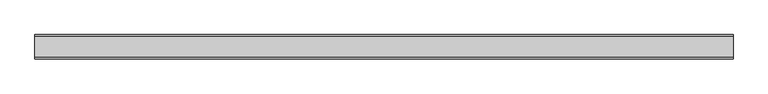
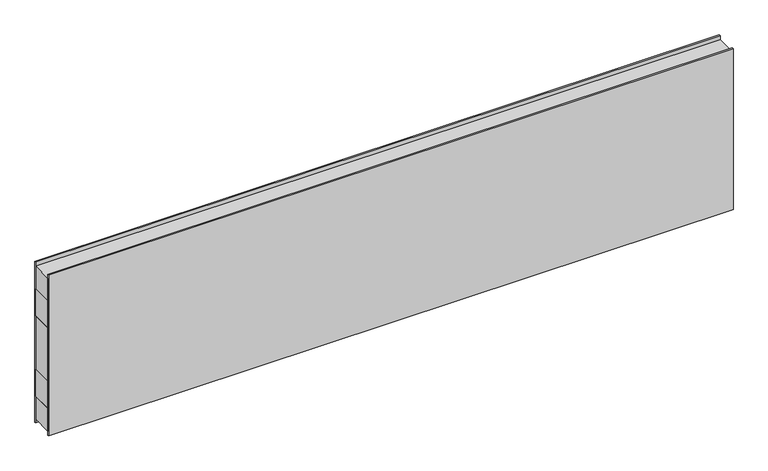
"""IFC4 building model written with IfcOpenShell, lengths in millimetres: plate geometry."""

import ifcopenshell
import ifcopenshell.guid

model = None  # the IFC model being written
_history = None  # IfcOwnerHistory: only IFC2X3 demands one
_inside = {}  # id of a spatial element -> (the spatial element, [elements in it])
_under = {}  # id of a project, library or spatial element -> (it, [spatial elements below it])
_declared = {}  # id of a project -> (the project, [libraries it declares])
_typed = {}  # id of a type object -> (the type object, [elements of that type])
_made_of = {}  # id of a material, layer set ... -> (it, [elements and type objects made of it])


def new_model(schema):
    """Start an empty IFC model of exactly this schema.

    Asked for "IFC4X3", IfcOpenShell would pick the latest addendum, in which some entities
    have other attributes; the version numbers below select the first issue.
    IFC2X3 requires an IfcOwnerHistory on every rooted entity: one is made here for all.
    """
    global model, _history
    if schema == "IFC4X3":
        model = ifcopenshell.file(schema_version=(4, 3, 0, 0))
    else:
        model = ifcopenshell.file(schema=schema)
    _inside.clear()
    _under.clear()
    _declared.clear()
    _typed.clear()
    _made_of.clear()
    _history = None
    if model.schema == "IFC2X3":
        org = make("IfcOrganization", Name="unknown")
        user = make(
            "IfcPersonAndOrganization",
            ThePerson=make("IfcPerson", FamilyName="unknown"),
            TheOrganization=org,
        )
        app = make(
            "IfcApplication",
            ApplicationDeveloper=org,
            Version="unknown",
            ApplicationFullName="unknown",
            ApplicationIdentifier="unknown",
        )
        _history = make(
            "IfcOwnerHistory",
            OwningUser=user,
            OwningApplication=app,
            ChangeAction="ADDED",
            CreationDate=0,
        )
    return model


def make(cls, **values):
    """One entity of the class cls with the attributes given. An attribute that is None is left unset."""
    return model.create_entity(
        cls, **{name: value for name, value in values.items() if value is not None}
    )


def rooted(cls, **values):
    """An entity with a GlobalId (a new one), such as an element, a storey or a relation."""
    return make(cls, GlobalId=ifcopenshell.guid.new(), OwnerHistory=_history, **values)


def si_unit(unit_type, name, prefix=None):
    """IfcSIUnit, for example si_unit("LENGTHUNIT", "METRE", prefix="MILLI")."""
    return make("IfcSIUnit", UnitType=unit_type, Prefix=prefix, Name=name)


def assignment(units):
    """IfcUnitAssignment: the units of a project."""
    return None if units is None else make("IfcUnitAssignment", Units=units)


def point(xyz):
    """IfcCartesianPoint."""
    return None if xyz is None else make("IfcCartesianPoint", Coordinates=xyz)


def direction(xyz):
    """IfcDirection."""
    return None if xyz is None else make("IfcDirection", DirectionRatios=xyz)


def frame(location, z_axis=None, x_axis=None):
    """IfcAxis2Placement3D, a coordinate frame: its origin and axes. An axis left out is left unset."""
    return make(
        "IfcAxis2Placement3D",
        Location=point(location),
        Axis=direction(z_axis),
        RefDirection=direction(x_axis),
    )


def origin():
    """The frame at (0, 0, 0) with its axes left unset."""
    return frame((0.0, 0.0, 0.0))


def origin_with_axes():
    """The frame at (0, 0, 0) with the z axis (0, 0, 1) and the x axis (1, 0, 0) written out."""
    return frame((0.0, 0.0, 0.0), z_axis=(0.0, 0.0, 1.0), x_axis=(1.0, 0.0, 0.0))


def place(relative_to, where):
    """IfcLocalPlacement: puts the frame where relative to a parent placement (None: the world)."""
    return make(
        "IfcLocalPlacement", PlacementRelTo=relative_to, RelativePlacement=where
    )


def context(
    kind, dimensions, precision=None, world=None, true_north=None, identifier=None
):
    """IfcGeometricRepresentationContext, for example the 3D "Model" context."""
    return make(
        "IfcGeometricRepresentationContext",
        ContextIdentifier=identifier,
        ContextType=kind,
        CoordinateSpaceDimension=dimensions,
        Precision=precision,
        WorldCoordinateSystem=world,
        TrueNorth=true_north,
    )


def project(units=None, contexts=None):
    """IfcProject with its units and contexts."""
    return rooted(
        "IfcProject",
        Name="project",
        RepresentationContexts=contexts,
        UnitsInContext=assignment(units),
    )


def spatial(cls, under=None, at=None, **own):
    """A site, building, storey or space (cls), placed at a placement, below another one or the project."""
    s = rooted(cls, ObjectPlacement=at, **own)
    if under is not None:
        _under.setdefault(under.id(), (under, []))[1].append(s)
    return s


def polyline(points):
    """IfcPolyline through the points."""
    return make("IfcPolyline", Points=[point(p) for p in points])


def outline(outer, holes=None, kind="AREA"):
    """IfcArbitraryClosedProfileDef: a profile drawn as a closed curve; with holes, ...WithVoids."""
    if holes is None:
        return make("IfcArbitraryClosedProfileDef", ProfileType=kind, OuterCurve=outer)
    return make(
        "IfcArbitraryProfileDefWithVoids",
        ProfileType=kind,
        OuterCurve=outer,
        InnerCurves=holes,
    )


def extrude(swept, where, along, depth):
    """IfcExtrudedAreaSolid: the profile swept, set in the frame where, extruded along a direction by depth."""
    return make(
        "IfcExtrudedAreaSolid",
        SweptArea=swept,
        Position=where,
        ExtrudedDirection=direction(along),
        Depth=depth,
    )


def shape(context_of_items, identifier, shape_type, items):
    """IfcShapeRepresentation: the items that make up one representation, for example the "Body"."""
    return make(
        "IfcShapeRepresentation",
        ContextOfItems=context_of_items,
        RepresentationIdentifier=identifier,
        RepresentationType=shape_type,
        Items=items,
    )


def source(mapping_origin, context_of_items, identifier, shape_type, items):
    """IfcRepresentationMap: a shape defined once, which mapped items show again and again."""
    return make(
        "IfcRepresentationMap",
        MappingOrigin=mapping_origin,
        MappedRepresentation=shape(context_of_items, identifier, shape_type, items),
    )


def transform(
    local_origin,
    x_axis=None,
    y_axis=None,
    z_axis=None,
    scale=None,
    scale2=None,
    scale3=None,
    uniform=True,
):
    """IfcCartesianTransformationOperator3D, or its non-uniform kind. x_axis, y_axis, z_axis: its Axis1, 2, 3."""
    if uniform:
        return make(
            "IfcCartesianTransformationOperator3D",
            Axis1=direction(x_axis),
            Axis2=direction(y_axis),
            LocalOrigin=point(local_origin),
            Scale=scale,
            Axis3=direction(z_axis),
        )
    return make(
        "IfcCartesianTransformationOperator3DnonUniform",
        Axis1=direction(x_axis),
        Axis2=direction(y_axis),
        LocalOrigin=point(local_origin),
        Scale=scale,
        Axis3=direction(z_axis),
        Scale2=scale2,
        Scale3=scale3,
    )


def mapped(mapping_source, mapping_target):
    """IfcMappedItem: shows the shape of a source again, moved by a transform."""
    return make(
        "IfcMappedItem", MappingSource=mapping_source, MappingTarget=mapping_target
    )


def made_of(thing, what):
    """Note that an element or type object is made of a material, layer set ...; save() writes the relation."""
    if what is not None:
        _made_of.setdefault(what.id(), (what, []))[1].append(thing)
    return thing


def element(
    cls,
    number,
    at=None,
    inside=None,
    cuts=None,
    type_object=None,
    material=None,
    context=None,
    identifier="Body",
    shape_type=None,
    held_by="IfcProductDefinitionShape",
    body=None,
    shapes=None,
    **own,
):
    """One element of the class cls, such as IfcWall. Its Tag is "e" and its number.

    at: its placement. inside: the storey or other place that contains it. cuts: it is an
    opening in that element (IfcRelVoidsElement). A single representation is given by context,
    identifier, shape_type and body (its items); several are given by shapes. held_by: the class
    of the entity that holds the representations. save() writes the other relations.
    """
    e = rooted(cls, Tag="e%d" % number, ObjectPlacement=at, **own)
    if body is not None:
        shapes = [shape(context, identifier, shape_type, body)]
    if shapes is not None:
        e.Representation = make(held_by, Representations=shapes)
    if inside is not None:
        _inside.setdefault(inside.id(), (inside, []))[1].append(e)
    if cuts is not None:
        rooted(
            "IfcRelVoidsElement", RelatingBuildingElement=cuts, RelatedOpeningElement=e
        )
    if type_object is not None:
        _typed.setdefault(type_object.id(), (type_object, []))[1].append(e)
    return made_of(e, material)


def aggregate(whole, parts):
    """IfcRelAggregates: a whole, such as a stair, and the parts it consists of."""
    return rooted("IfcRelAggregates", RelatingObject=whole, RelatedObjects=parts)


def save(model, path):
    """Write the relations noted so far, then the file.

    IfcRelAggregates (storeys below a building ...), IfcRelContainedInSpatialStructure (elements
    in a storey), IfcRelDefinesByType, IfcRelAssociatesMaterial and IfcRelDeclares: one each for
    every whole, place, type object, material and project.
    """
    for whole, parts in _under.values():
        aggregate(whole, parts)
    for where, things in _inside.values():
        rooted(
            "IfcRelContainedInSpatialStructure",
            RelatedElements=things,
            RelatingStructure=where,
        )
    for kind, things in _typed.values():
        rooted("IfcRelDefinesByType", RelatedObjects=things, RelatingType=kind)
    for what, things in _made_of.values():
        rooted("IfcRelAssociatesMaterial", RelatedObjects=things, RelatingMaterial=what)
    for by, libraries in _declared.values():
        rooted("IfcRelDeclares", RelatingContext=by, RelatedDefinitions=libraries)
    model.write(path)


def plate_c934fe45(model_context):
    return source(origin(), model_context, "Body", "SweptSolid", [
        extrude(outline(polyline([(-1204.8858409, -37.5), (-1204.8858409, 37.5), (1204.8858409, 37.5), (1204.8858409, -37.5), (-1204.8858409, -37.5)])), frame((0.0, 0.0, 400.0), z_axis=(0.0, 0.0, 1.0), x_axis=(1.0, 0.0, 0.0)), (0.0, 0.0, 1.0), 100.0),
        extrude(outline(polyline([(-1204.8858409, -37.5), (-1204.8858409, 37.5), (1204.8858409, 37.5), (1204.8858409, -37.5), (-1204.8858409, -37.5)])), frame((0.0, 0.0, 100.0), z_axis=(0.0, 0.0, 1.0), x_axis=(1.0, 0.0, 0.0)), (0.0, 0.0, 1.0), 100.0),
        extrude(outline(polyline([(-1204.8858409, -42.0), (-1204.8858409, -37.5), (1204.8858409, -37.5), (1204.8858409, -42.0), (-1204.8858409, -42.0)])), origin_with_axes(), (0.0, 0.0, 1.0), 600.0),
        extrude(outline(polyline([(-1204.8858409, 37.5), (-1204.8858409, 42.0), (1204.8858409, 42.0), (1204.8858409, 37.5), (-1204.8858409, 37.5)])), origin_with_axes(), (0.0, 0.0, 1.0), 600.0),
        extrude(outline(polyline([(1204.8858409, 37.5), (1204.8858409, -37.5), (-1204.8858409, -37.5), (-1204.8858409, 37.5), (1204.8858409, 37.5)])), frame((0.0, 0.0, 500.0), z_axis=(0.0, 0.0, 1.0), x_axis=(1.0, 0.0, 0.0)), (0.0, 0.0, 1.0), 85.0),
        extrude(outline(polyline([(1204.8858409, 37.5), (1204.8858409, -37.5), (-1204.8858409, -37.5), (-1204.8858409, 37.5), (1204.8858409, 37.5)])), frame((0.0, 0.0, 15.0), z_axis=(0.0, 0.0, 1.0), x_axis=(1.0, 0.0, 0.0)), (0.0, 0.0, 1.0), 85.0),
        extrude(outline(polyline([(1204.8858409, 37.5), (1204.8858409, -37.5), (-1204.8858409, -37.5), (-1204.8858409, 37.5), (1204.8858409, 37.5)])), frame((0.0, 0.0, 200.0), z_axis=(0.0, 0.0, 1.0), x_axis=(1.0, 0.0, 0.0)), (0.0, 0.0, 1.0), 200.0),
    ])


if __name__ == "__main__":
    model = new_model("IFC4")
    model_context = context("Model", 3, world=origin())
    ifc_project = project(units=[si_unit("LENGTHUNIT", "METRE", prefix="MILLI")], contexts=[model_context])
    site = spatial("IfcSite", under=ifc_project)
    building = spatial("IfcBuilding", under=site)
    placement = place(None, origin())
    plate_shape = plate_c934fe45(model_context)
    element("IfcPlate", 1, at=placement, inside=building, context=model_context, shape_type="MappedRepresentation", body=[
        mapped(plate_shape, transform((0.0, 0.0, 0.0), x_axis=(1.0, 0.0, 0.0), y_axis=(0.0, 1.0, 0.0), z_axis=(0.0, 0.0, 1.0))),
    ])
    save(model, "model.ifc")
